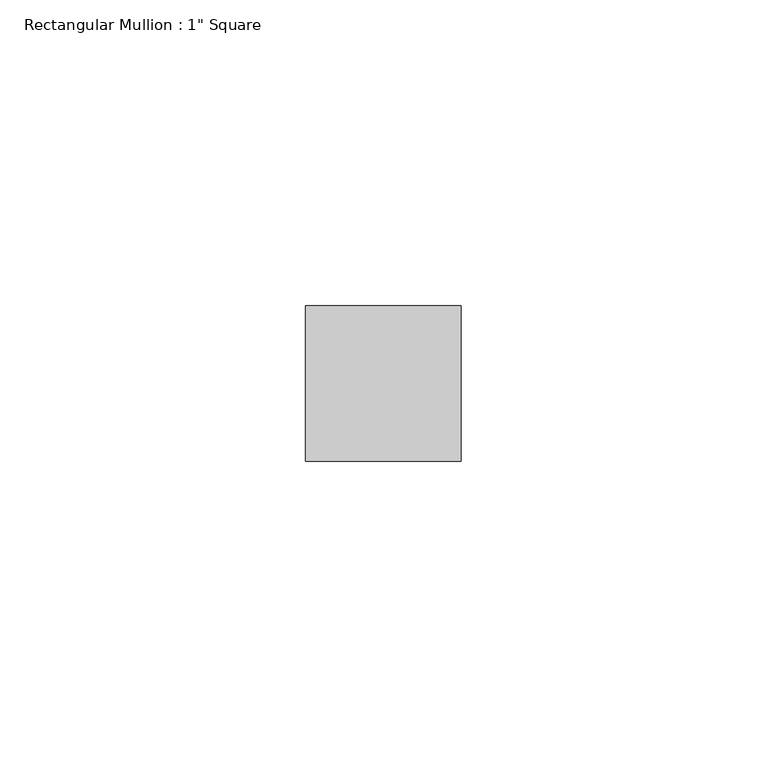
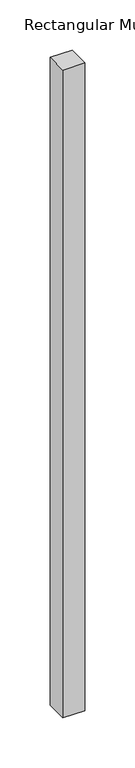
"""IFC4 building model written with IfcOpenShell, lengths in millimetres: member geometry."""

from ifc_helpers import new_model, si_unit, frame, origin, place, context, project, spatial, polyline, outline, extrude, source, transform, mapped, element, save


def member_20523a67(model_context):
    return source(origin(), model_context, "Body", "SweptSolid", [
        extrude(outline(polyline([(12.7, 12.7), (12.7, -12.7), (-12.7, -12.7), (-12.7, 12.7), (12.7, 12.7)])), frame((0.0, 0.0, -789.3590832), z_axis=(0.0, 0.0, 1.0), x_axis=(1.0, 0.0, 0.0)), (0.0, 0.0, 1.0), 789.3590832),
    ])


if __name__ == "__main__":
    model = new_model("IFC4")
    model_context = context("Model", 3, world=origin())
    ifc_project = project(units=[si_unit("LENGTHUNIT", "METRE", prefix="MILLI")], contexts=[model_context])
    site = spatial("IfcSite", under=ifc_project)
    building = spatial("IfcBuilding", under=site)
    placement = place(None, origin())
    member_shape = member_20523a67(model_context)
    element("IfcMember", 1, ObjectType="Rectangular Mullion : 1\" Square", at=placement, inside=building, context=model_context, shape_type="MappedRepresentation", body=[
        mapped(member_shape, transform((0.0, 0.0, 0.0), x_axis=(1.0, 0.0, 0.0), y_axis=(0.0, 1.0, 0.0), z_axis=(0.0, 0.0, 1.0))),
    ])
    save(model, "model.ifc")
